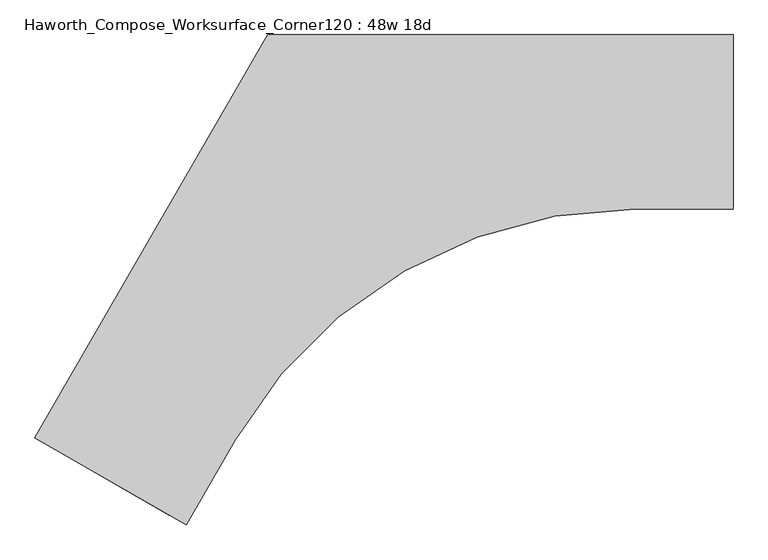
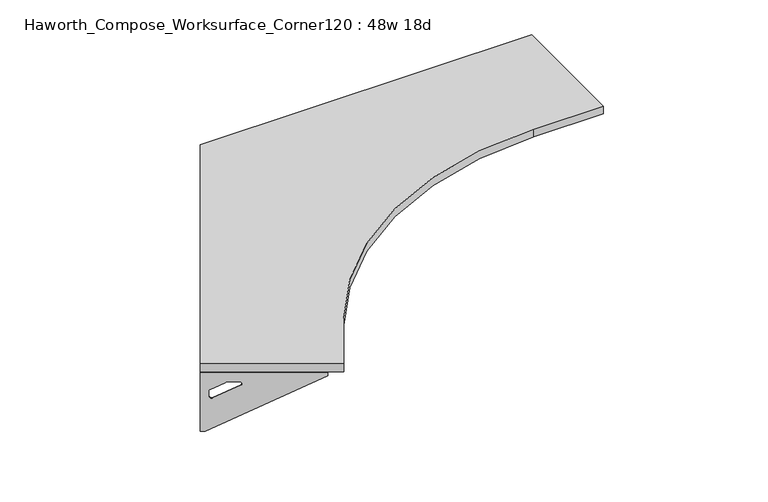
"""IFC4 building model written with IfcOpenShell, lengths in millimetres: furniture geometry, Haworth_Compose_Worksurface_Corner120 : 48w 18d."""

from ifc_helpers import new_model, si_unit, point, frame, frame_2d, origin, place, context, project, spatial, polyline, circle_curve, trimmed, segment, composite_curve, outline, extrude, source, transform, mapped, element, save
from ifc_brep_helpers import plane_surface, revolved_surface, advanced_brep


def haworth_compose_worksurface_corner120_48w_18d_56d15727(model_context):
    return source(origin(), model_context, "Body", "SolidModel", [
        advanced_brep(
        [(454.81875, 304.8, 473.86875), (454.81875, 288.925, 473.86875), (454.81875, -101.6, 690.1317568), (454.81875, -101.6, 702.46875), (454.81875, 288.925, 702.46875), (454.81875, 304.8, 702.46875), (454.81875, 221.490072, 664.36875), (454.81875, 177.8355284, 664.36875), (454.81875, 175.1564235, 654.7830539), (454.81875, 266.8776173, 603.9901439), (454.81875, 276.225, 609.5881969), (454.81875, 276.225, 633.0985246), (454.81875, 274.4730055, 635.9367776), (454.81875, 224.5663437, 663.5738425), (457.2, 304.8, 473.86875), (457.2, 304.8, 702.46875), (457.2, 288.925, 702.46875), (457.2, 288.925, 704.85), (457.2, -101.6, 704.85), (457.2, -101.6, 690.1317568), (457.2, 288.925, 473.86875), (457.2, 221.490072, 664.36875), (457.2, 224.5663437, 663.5738425), (457.2, 274.4730055, 635.9367776), (457.2, 276.225, 633.0985246), (457.2, 276.225, 609.5881969), (457.2, 266.8776173, 603.9901439), (457.2, 175.1564235, 654.7830539), (457.2, 177.8355284, 664.36875), (415.925, -101.6, 704.85), (415.925, -101.6, 702.46875), (415.925, 288.925, 702.46875), (415.925, 288.925, 704.85)],
        [
            (0, 1),
            (1, 2),
            (2, 3),
            (3, 4),
            (4, 5),
            (5, 0),
            (6, 7),
            (7, 8, circle_curve(frame((454.81875, 177.8355284, 659.2015106), z_axis=(1.0, 0.0, 0.0), x_axis=(0.0, -1.0, 0.0)), 5.1672394)),
            (8, 9),
            (9, 10, circle_curve(frame((454.81875, 269.875, 609.5881969), z_axis=(1.0, 0.0, 0.0), x_axis=(0.0, -1.0, 0.0)), 6.35)),
            (10, 11),
            (11, 12, circle_curve(frame((454.81875, 273.05, 633.0985246), z_axis=(1.0, 0.0, 0.0), x_axis=(0.0, -1.0, 0.0)), 3.175)),
            (12, 13),
            (13, 6, circle_curve(frame((454.81875, 221.490072, 658.01875), z_axis=(1.0, 0.0, 0.0), x_axis=(0.0, -1.0, 0.0)), 6.35)),
            (14, 15),
            (15, 16),
            (16, 17),
            (17, 18),
            (18, 19),
            (19, 20),
            (20, 14),
            (21, 22, circle_curve(frame((457.2, 221.490072, 658.01875), z_axis=(-1.0, 0.0, 0.0), x_axis=(0.0, -1.0, 0.0)), 6.35)),
            (22, 23),
            (23, 24, circle_curve(frame((457.2, 273.05, 633.0985246), z_axis=(-1.0, 0.0, 0.0), x_axis=(0.0, -1.0, 0.0)), 3.175)),
            (24, 25),
            (25, 26, circle_curve(frame((457.2, 269.875, 609.5881969), z_axis=(-1.0, 0.0, 0.0), x_axis=(0.0, -1.0, 0.0)), 6.35)),
            (26, 27),
            (27, 28, circle_curve(frame((457.2, 177.8355284, 659.2015106), z_axis=(-1.0, 0.0, 0.0), x_axis=(0.0, -1.0, 0.0)), 5.1672394)),
            (28, 21),
            (4, 16),
            (15, 5),
            (14, 0),
            (20, 1),
            (19, 2),
            (18, 29),
            (29, 30),
            (30, 3),
            (6, 21),
            (28, 7),
            (9, 26),
            (25, 10),
            (24, 11),
            (23, 12),
            (27, 8),
            (31, 4),
            (30, 31),
            (32, 29),
            (17, 32),
            (31, 32),
            (22, 13),
        ],
        [
            plane_surface(frame((454.81875, 304.8, 473.86875), z_axis=(-1.0, 0.0, 0.0), x_axis=(0.0, 1.0, 0.0))),
            plane_surface(frame((457.2, 304.8, 473.86875), z_axis=(1.0, 0.0, 0.0), x_axis=(0.0, -1.0, 0.0))),
            plane_surface(frame((457.2, -101.6, 702.46875), z_axis=(0.0, 0.0, 1.0), x_axis=(-1.0, 0.0, 0.0))),
            plane_surface(frame((457.2, 304.8, 702.46875), z_axis=(0.0, 1.0, 0.0), x_axis=(-1.0, 0.0, 0.0))),
            plane_surface(frame((457.2, 304.8, 473.86875), z_axis=(0.0, 0.0, -1.0), x_axis=(-1.0, 0.0, 0.0))),
            plane_surface(frame((457.2, 288.925, 473.86875), z_axis=(0.0, -0.4844522351345575, -0.8748177135112957), x_axis=(-1.0, 0.0, 0.0))),
            plane_surface(frame((457.2, -101.6, 690.1317568), z_axis=(0.0, -1.0, 0.0), x_axis=(-1.0, 0.0, 0.0))),
            plane_surface(frame((457.2, 221.490072, 664.36875), z_axis=(0.0, 0.0, -1.0), x_axis=(-1.0, 0.0, 0.0))),
            revolved_surface(polyline([(454.81875, 263.525, 609.5881969), (457.2, 263.525, 609.5881969)]), (457.2, 269.875, 609.5881969), (-1.0, 0.0, 0.0)),
            plane_surface(frame((457.2, 276.225, 609.5881969), z_axis=(0.0, -1.0, 0.0), x_axis=(-1.0, 0.0, 0.0))),
            revolved_surface(polyline([(454.81875, 269.875, 633.0985246), (457.2, 269.875, 633.0985246)]), (457.2, 273.05, 633.0985246), (-1.0, 0.0, 0.0)),
            revolved_surface(polyline([(454.81875, 172.668289, 659.2015106), (457.2, 172.668289, 659.2015106)]), (457.2, 177.8355284, 659.2015106), (-1.0, 0.0, 0.0)),
            plane_surface(frame((457.2, 288.925, 702.46875), z_axis=(0.0, 0.0, -1.0), x_axis=(-1.0, 0.0, 0.0))),
            plane_surface(frame((457.2, 288.925, 704.85), z_axis=(0.0, 0.0, 1.0), x_axis=(1.0, 0.0, 0.0))),
            plane_surface(frame((415.925, 288.925, 704.85), z_axis=(0.0, 1.0, 0.0), x_axis=(0.0, 0.0, -1.0))),
            plane_surface(frame((415.925, -101.6, 704.85), z_axis=(-1.0, 0.0, 0.0), x_axis=(0.0, 0.0, -1.0))),
            plane_surface(frame((457.2, 175.1564235, 654.7830539), z_axis=(0.0, 0.4844522351341526, 0.8748177135115199), x_axis=(-1.0, 0.0, 0.0))),
            plane_surface(frame((457.2, 274.4730055, 635.9367776), z_axis=(0.0, -0.48445223513456226, -0.874817713511293), x_axis=(-1.0, 0.0, 0.0))),
            revolved_surface(polyline([(454.81875, 215.140072, 658.01875), (457.2, 215.140072, 658.01875)]), (457.2, 221.490072, 658.01875), (-1.0, 0.0, 0.0)),
        ],
        [
            (0, [[1, 2, 3, 4, 5, 6], [7, 8, 9, 10, 11, 12, 13, 14]]),
            (1, [[15, 16, 17, 18, 19, 20, 21], [22, 23, 24, 25, 26, 27, 28, 29]]),
            (2, [[-5, 30, -16, 31]]),
            (3, [[-31, -15, 32, -6]]),
            (4, [[-32, -21, 33, -1]]),
            (5, [[-33, -20, 34, -2]]),
            (6, [[-34, -19, 35, 36, 37, -3]]),
            (7, [[38, -29, 39, -7]]),
            (8, [[40, -26, 41, -10]]),
            (9, [[-41, -25, 42, -11]]),
            (10, [[-42, -24, 43, -12]]),
            (11, [[-39, -28, 44, -8]]),
            (12, [[45, -4, -37, 46]]),
            (13, [[47, -35, -18, 48]]),
            (14, [[-17, -30, -45, 49, -48]]),
            (15, [[-36, -47, -49, -46]]),
            (16, [[-44, -27, -40, -9]]),
            (17, [[-43, -23, 50, -13]]),
            (18, [[-50, -22, -38, -14]]),
        ],
    ),
        advanced_brep(
        [(-1370.409375, -748.9959493, 473.86875), (-1370.409375, -748.9959493, 702.46875), (-1356.6612217, -756.9334493, 702.46875), (-1018.4566509, -952.1959493, 702.46875), (-1018.4566509, -952.1959493, 690.1317568), (-1356.6612217, -756.9334493, 473.86875), (-1298.260861, -790.6509133, 664.36875), (-1300.9249904, -789.1127775, 663.5738425), (-1344.1454274, -764.1594465, 635.9367776), (-1345.6626991, -763.2834493, 633.0985246), (-1345.6626991, -763.2834493, 609.5881969), (-1337.5676282, -767.9571406, 603.9901439), (-1258.1347443, -813.8177376, 654.7830539), (-1260.4549172, -812.4781851, 664.36875), (-1371.6, -751.0581723, 473.86875), (-1357.8518467, -758.9956723, 473.86875), (-1019.6472759, -954.2581723, 690.1317568), (-1019.6472759, -954.2581723, 704.85), (-1357.8518467, -758.9956723, 704.85), (-1357.8518467, -758.9956723, 702.46875), (-1371.6, -751.0581723, 702.46875), (-1299.451486, -792.7131363, 664.36875), (-1261.6455422, -814.5404081, 664.36875), (-1259.3253693, -815.8799606, 654.7830539), (-1338.7582532, -770.0193636, 603.9901439), (-1346.8533241, -765.3456723, 609.5881969), (-1346.8533241, -765.3456723, 633.0985246), (-1345.3360524, -766.2216695, 635.9367776), (-1302.1156154, -791.1750004, 663.5738425), (-999.0097759, -918.5129738, 702.46875), (-999.0097759, -918.5129738, 704.85), (-1337.2143467, -723.2504738, 702.46875), (-1337.2143467, -723.2504738, 704.85)],
        [
            (0, 1),
            (1, 2),
            (2, 3),
            (3, 4),
            (4, 5),
            (5, 0),
            (6, 7, circle_curve(frame((-1298.260861, -790.6509133, 658.01875), z_axis=(-0.5000000000000026, -0.8660254037844374, 0.0), x_axis=(0.8660254037844372, -0.5000000000000024, 0.0)), 6.35)),
            (7, 8),
            (8, 9, circle_curve(frame((-1342.9130684, -764.8709493, 633.0985246), z_axis=(-0.5000000000000026, -0.8660254037844374, 0.0), x_axis=(0.8660254037844372, -0.5000000000000024, 0.0)), 3.175)),
            (9, 10),
            (10, 11, circle_curve(frame((-1340.1634378, -766.4584493, 609.5881969), z_axis=(-0.5000000000000026, -0.8660254037844374, 0.0), x_axis=(0.8660254037844372, -0.5000000000000024, 0.0)), 6.35)),
            (11, 12),
            (12, 13, circle_curve(frame((-1260.4549172, -812.4781851, 659.2015106), z_axis=(-0.5000000000000026, -0.8660254037844374, 0.0), x_axis=(0.8660254037844372, -0.5000000000000024, 0.0)), 5.1672394)),
            (13, 6),
            (14, 15),
            (15, 16),
            (16, 17),
            (17, 18),
            (18, 19),
            (19, 20),
            (20, 14),
            (21, 22),
            (22, 23, circle_curve(frame((-1261.6455422, -814.5404081, 659.2015106), z_axis=(0.5000000000000026, 0.8660254037844374, 0.0), x_axis=(0.8660254037844372, -0.5000000000000024, 0.0)), 5.1672394)),
            (23, 24),
            (24, 25, circle_curve(frame((-1341.3540628, -768.5206723, 609.5881969), z_axis=(0.5000000000000026, 0.8660254037844374, 0.0), x_axis=(0.8660254037844372, -0.5000000000000024, 0.0)), 6.35)),
            (25, 26),
            (26, 27, circle_curve(frame((-1344.1036934, -766.9331723, 633.0985246), z_axis=(0.5000000000000026, 0.8660254037844374, 0.0), x_axis=(0.8660254037844372, -0.5000000000000024, 0.0)), 3.175)),
            (27, 28),
            (28, 21, circle_curve(frame((-1299.451486, -792.7131363, 658.01875), z_axis=(0.5000000000000026, 0.8660254037844374, 0.0), x_axis=(0.8660254037844372, -0.5000000000000024, 0.0)), 6.35)),
            (1, 20),
            (19, 2),
            (0, 14),
            (5, 15),
            (4, 16),
            (3, 29),
            (29, 30),
            (30, 17),
            (13, 22),
            (21, 6),
            (10, 25),
            (24, 11),
            (9, 26),
            (8, 27),
            (12, 23),
            (31, 29),
            (2, 31),
            (32, 18),
            (30, 32),
            (32, 31),
            (7, 28),
        ],
        [
            plane_surface(frame((-1370.409375, -748.9959493, 473.86875), z_axis=(0.5000000000000026, 0.8660254037844373, 0.0), x_axis=(-0.8660254037844373, 0.5000000000000026, 0.0))),
            plane_surface(frame((-1371.6, -751.0581723, 473.86875), z_axis=(-0.5000000000000026, -0.8660254037844373, 0.0), x_axis=(0.8660254037844373, -0.5000000000000026, 0.0))),
            plane_surface(frame((-1019.6472759, -954.2581723, 702.46875), z_axis=(0.0, 0.0, 1.0), x_axis=(0.5000000000000011, 0.866025403784438, 0.0))),
            plane_surface(frame((-1371.6, -751.0581723, 702.46875), z_axis=(-0.866025403784438, 0.5000000000000011, 0.0), x_axis=(0.5000000000000011, 0.866025403784438, 0.0))),
            plane_surface(frame((-1371.6, -751.0581723, 473.86875), z_axis=(0.0, 0.0, -1.0), x_axis=(0.5000000000000011, 0.866025403784438, 0.0))),
            plane_surface(frame((-1357.8518467, -758.9956723, 473.86875), z_axis=(0.41954794254667943, -0.24222611756727808, -0.8748177135112957), x_axis=(0.5000000000000011, 0.866025403784438, 0.0))),
            plane_surface(frame((-1019.6472759, -954.2581723, 690.1317568), z_axis=(0.866025403784438, -0.5000000000000011, 0.0), x_axis=(0.5000000000000011, 0.866025403784438, 0.0))),
            plane_surface(frame((-1299.451486, -792.7131363, 664.36875), z_axis=(0.0, 0.0, -1.0), x_axis=(0.5000000000000011, 0.866025403784438, 0.0))),
            revolved_surface(polyline([(-1334.66417645195, -769.6334492483159, 609.5881969), (-1335.854801485969, -771.6956723000001, 609.5881969)]), (-1341.3540628, -768.5206723, 609.5881969), (0.5000000000000024, 0.8660254037844372, 0.0)),
            plane_surface(frame((-1346.8533241, -765.3456723, 609.5881969), z_axis=(0.866025403784438, -0.5000000000000011, 0.0), x_axis=(0.5000000000000011, 0.866025403784438, 0.0))),
            revolved_surface(polyline([(-1340.1634377398502, -766.4584493018095, 633.0985246), (-1341.3540627537307, -768.5206723186128, 633.0985246)]), (-1344.1036934, -766.9331723, 633.0985246), (0.5000000000000024, 0.8660254037844372, 0.0)),
            revolved_surface(polyline([(-1255.9799566090298, -815.0618048018096, 659.2015106), (-1257.1705816345157, -817.1240278387139, 659.2015106)]), (-1261.6455422, -814.5404081, 659.2015106), (0.5000000000000024, 0.8660254037844372, 0.0)),
            plane_surface(frame((-1357.8518467, -758.9956723, 702.46875), z_axis=(0.0, 0.0, -1.0), x_axis=(0.5000000000000011, 0.866025403784438, 0.0))),
            plane_surface(frame((-1357.8518467, -758.9956723, 704.85), z_axis=(0.0, 0.0, 1.0), x_axis=(-0.5000000000000011, -0.866025403784438, 0.0))),
            plane_surface(frame((-1337.2143467, -723.2504738, 704.85), z_axis=(-0.866025403784438, 0.5000000000000011, 0.0), x_axis=(0.0, 0.0, -1.0))),
            plane_surface(frame((-999.0097759, -918.5129738, 704.85), z_axis=(0.5000000000000011, 0.866025403784438, 0.0), x_axis=(0.0, 0.0, -1.0))),
            plane_surface(frame((-1259.3253693, -815.8799606, 654.7830539), z_axis=(-0.41954794254632877, 0.24222611756707563, 0.87481771351152), x_axis=(0.5000000000000011, 0.866025403784438, 0.0))),
            plane_surface(frame((-1345.3360524, -766.2216695, 635.9367776), z_axis=(0.4195479425466836, -0.24222611756728046, -0.874817713511293), x_axis=(0.5000000000000011, 0.866025403784438, 0.0))),
            revolved_surface(polyline([(-1292.7615996828345, -793.8259133018096, 658.01875), (-1293.9522246859688, -795.8881363, 658.01875)]), (-1299.451486, -792.7131363, 658.01875), (0.5000000000000024, 0.8660254037844372, 0.0)),
        ],
        [
            (0, [[1, 2, 3, 4, 5, 6], [7, 8, 9, 10, 11, 12, 13, 14]]),
            (1, [[15, 16, 17, 18, 19, 20, 21], [22, 23, 24, 25, 26, 27, 28, 29]]),
            (2, [[30, -20, 31, -2]]),
            (3, [[-1, 32, -21, -30]]),
            (4, [[-6, 33, -15, -32]]),
            (5, [[-5, 34, -16, -33]]),
            (6, [[-4, 35, 36, 37, -17, -34]]),
            (7, [[-14, 38, -22, 39]]),
            (8, [[-11, 40, -25, 41]]),
            (9, [[-10, 42, -26, -40]]),
            (10, [[-9, 43, -27, -42]]),
            (11, [[-13, 44, -23, -38]]),
            (12, [[45, -35, -3, 46]]),
            (13, [[47, -18, -37, 48]]),
            (14, [[-47, 49, -46, -31, -19]]),
            (15, [[-45, -49, -48, -36]]),
            (16, [[-12, -41, -24, -44]]),
            (17, [[-8, 50, -28, -43]]),
            (18, [[-7, -39, -29, -50]]),
        ],
    ),
        extrude(outline(composite_curve([segment(polyline([(-1371.6, -751.0581723), (-762.0, 304.8), (457.2, 304.8), (457.2, -152.4), (200.37073, -152.4)]), True, "CONTINUOUS"), segment(trimmed(circle_curve(frame_2d((200.37073, -1362.075)), 1209.675), [point((200.37073, -152.4))], [point((-847.2385504, -757.2375))], True, "CARTESIAN"), True, "CONTINUOUS"), segment(polyline([(-847.2385504, -757.2375), (-975.6531854, -979.6581723), (-1371.6, -751.0581723)]), True, "CONTINUOUS")], self_intersect=False)), frame((0.0, 0.0, 706.4375), z_axis=(0.0, 0.0, 1.0), x_axis=(1.0, 0.0, 0.0)), (0.0, 0.0, 1.0), 30.1625),
    ])


if __name__ == "__main__":
    model = new_model("IFC4")
    model_context = context("Model", 3, world=origin())
    ifc_project = project(units=[si_unit("LENGTHUNIT", "METRE", prefix="MILLI")], contexts=[model_context])
    site = spatial("IfcSite", under=ifc_project)
    building = spatial("IfcBuilding", under=site)
    placement = place(None, origin())
    haworth_compose_worksurface_corner120_48w_18d_shape = haworth_compose_worksurface_corner120_48w_18d_56d15727(model_context)
    element("IfcFurniture", 1, ObjectType="Haworth_Compose_Worksurface_Corner120 : 48w 18d", at=placement, inside=building, context=model_context, shape_type="MappedRepresentation", body=[
        mapped(haworth_compose_worksurface_corner120_48w_18d_shape, transform((0.0, 0.0, 0.0), x_axis=(1.0, 0.0, 0.0), y_axis=(0.0, 1.0, 0.0), z_axis=(0.0, 0.0, 1.0))),
    ])
    save(model, "model.ifc")
